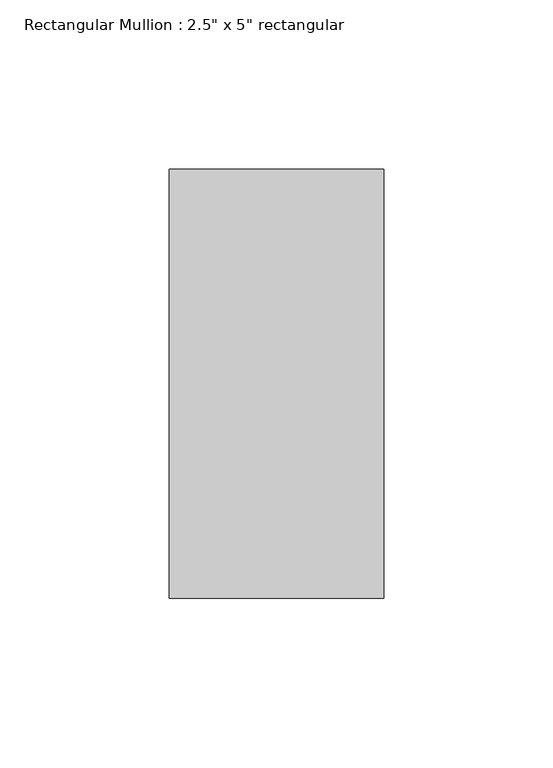
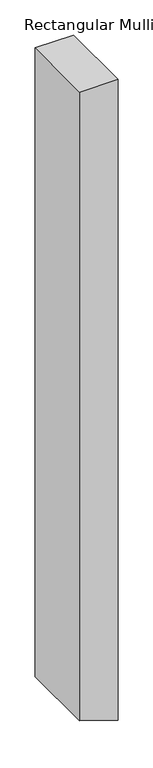
"""IFC4 building model written with IfcOpenShell, lengths in millimetres: member geometry."""

from ifc_helpers import new_model, si_unit, frame, origin, place, context, project, spatial, polyline, outline, extrude, source, transform, mapped, element, save


def member_de9e51af(model_context):
    return source(origin(), model_context, "Body", "SweptSolid", [
        extrude(outline(polyline([(0.0, 31.75), (0.0, -31.75), (-1094.4078614, -31.75), (-1111.3032303, 19.7828002), (-1115.2267558, 31.75), (0.0, 31.75)])), frame((0.0, -63.5, 0.0), z_axis=(0.0, 1.0, 0.0), x_axis=(0.0, 0.0, 1.0)), (0.0, 0.0, 1.0), 127.0),
    ])


if __name__ == "__main__":
    model = new_model("IFC4")
    model_context = context("Model", 3, world=origin())
    ifc_project = project(units=[si_unit("LENGTHUNIT", "METRE", prefix="MILLI")], contexts=[model_context])
    site = spatial("IfcSite", under=ifc_project)
    building = spatial("IfcBuilding", under=site)
    placement = place(None, origin())
    member_shape = member_de9e51af(model_context)
    element("IfcMember", 1, ObjectType="Rectangular Mullion : 2.5\" x 5\" rectangular", at=placement, inside=building, context=model_context, shape_type="MappedRepresentation", body=[
        mapped(member_shape, transform((0.0, 0.0, 0.0), x_axis=(1.0, 0.0, 0.0), y_axis=(0.0, 1.0, 0.0), z_axis=(0.0, 0.0, 1.0))),
    ])
    save(model, "model.ifc")
